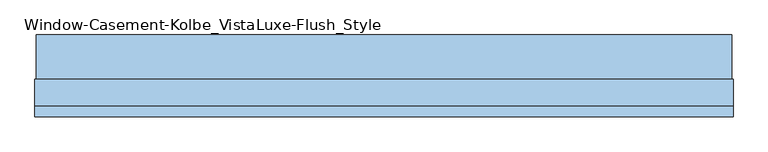
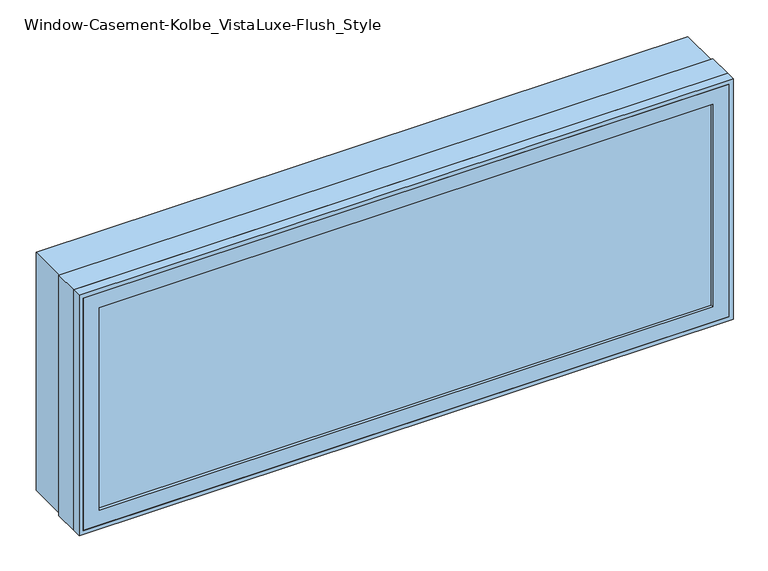
"""IFC4 building model written with IfcOpenShell, lengths in millimetres: window geometry, Window-Casement-Kolbe_VistaLuxe-Flush_Style."""

import ifcopenshell
import ifcopenshell.guid

model = None  # the IFC model being written
_history = None  # IfcOwnerHistory: only IFC2X3 demands one
_inside = {}  # id of a spatial element -> (the spatial element, [elements in it])
_under = {}  # id of a project, library or spatial element -> (it, [spatial elements below it])
_declared = {}  # id of a project -> (the project, [libraries it declares])
_typed = {}  # id of a type object -> (the type object, [elements of that type])
_made_of = {}  # id of a material, layer set ... -> (it, [elements and type objects made of it])


def new_model(schema):
    """Start an empty IFC model of exactly this schema.

    Asked for "IFC4X3", IfcOpenShell would pick the latest addendum, in which some entities
    have other attributes; the version numbers below select the first issue.
    IFC2X3 requires an IfcOwnerHistory on every rooted entity: one is made here for all.
    """
    global model, _history
    if schema == "IFC4X3":
        model = ifcopenshell.file(schema_version=(4, 3, 0, 0))
    else:
        model = ifcopenshell.file(schema=schema)
    _inside.clear()
    _under.clear()
    _declared.clear()
    _typed.clear()
    _made_of.clear()
    _history = None
    if model.schema == "IFC2X3":
        org = make("IfcOrganization", Name="unknown")
        user = make(
            "IfcPersonAndOrganization",
            ThePerson=make("IfcPerson", FamilyName="unknown"),
            TheOrganization=org,
        )
        app = make(
            "IfcApplication",
            ApplicationDeveloper=org,
            Version="unknown",
            ApplicationFullName="unknown",
            ApplicationIdentifier="unknown",
        )
        _history = make(
            "IfcOwnerHistory",
            OwningUser=user,
            OwningApplication=app,
            ChangeAction="ADDED",
            CreationDate=0,
        )
    return model


def make(cls, **values):
    """One entity of the class cls with the attributes given. An attribute that is None is left unset."""
    return model.create_entity(
        cls, **{name: value for name, value in values.items() if value is not None}
    )


def rooted(cls, **values):
    """An entity with a GlobalId (a new one), such as an element, a storey or a relation."""
    return make(cls, GlobalId=ifcopenshell.guid.new(), OwnerHistory=_history, **values)


def si_unit(unit_type, name, prefix=None):
    """IfcSIUnit, for example si_unit("LENGTHUNIT", "METRE", prefix="MILLI")."""
    return make("IfcSIUnit", UnitType=unit_type, Prefix=prefix, Name=name)


def assignment(units):
    """IfcUnitAssignment: the units of a project."""
    return None if units is None else make("IfcUnitAssignment", Units=units)


def point(xyz):
    """IfcCartesianPoint."""
    return None if xyz is None else make("IfcCartesianPoint", Coordinates=xyz)


def direction(xyz):
    """IfcDirection."""
    return None if xyz is None else make("IfcDirection", DirectionRatios=xyz)


def frame(location, z_axis=None, x_axis=None):
    """IfcAxis2Placement3D, a coordinate frame: its origin and axes. An axis left out is left unset."""
    return make(
        "IfcAxis2Placement3D",
        Location=point(location),
        Axis=direction(z_axis),
        RefDirection=direction(x_axis),
    )


def origin():
    """The frame at (0, 0, 0) with its axes left unset."""
    return frame((0.0, 0.0, 0.0))


def place(relative_to, where):
    """IfcLocalPlacement: puts the frame where relative to a parent placement (None: the world)."""
    return make(
        "IfcLocalPlacement", PlacementRelTo=relative_to, RelativePlacement=where
    )


def context(
    kind, dimensions, precision=None, world=None, true_north=None, identifier=None
):
    """IfcGeometricRepresentationContext, for example the 3D "Model" context."""
    return make(
        "IfcGeometricRepresentationContext",
        ContextIdentifier=identifier,
        ContextType=kind,
        CoordinateSpaceDimension=dimensions,
        Precision=precision,
        WorldCoordinateSystem=world,
        TrueNorth=true_north,
    )


def project(units=None, contexts=None):
    """IfcProject with its units and contexts."""
    return rooted(
        "IfcProject",
        Name="project",
        RepresentationContexts=contexts,
        UnitsInContext=assignment(units),
    )


def spatial(cls, under=None, at=None, **own):
    """A site, building, storey or space (cls), placed at a placement, below another one or the project."""
    s = rooted(cls, ObjectPlacement=at, **own)
    if under is not None:
        _under.setdefault(under.id(), (under, []))[1].append(s)
    return s


def polyline(points):
    """IfcPolyline through the points."""
    return make("IfcPolyline", Points=[point(p) for p in points])


def outline(outer, holes=None, kind="AREA"):
    """IfcArbitraryClosedProfileDef: a profile drawn as a closed curve; with holes, ...WithVoids."""
    if holes is None:
        return make("IfcArbitraryClosedProfileDef", ProfileType=kind, OuterCurve=outer)
    return make(
        "IfcArbitraryProfileDefWithVoids",
        ProfileType=kind,
        OuterCurve=outer,
        InnerCurves=holes,
    )


def extrude(swept, where, along, depth):
    """IfcExtrudedAreaSolid: the profile swept, set in the frame where, extruded along a direction by depth."""
    return make(
        "IfcExtrudedAreaSolid",
        SweptArea=swept,
        Position=where,
        ExtrudedDirection=direction(along),
        Depth=depth,
    )


def faces_of(points, faces, orient=None, outer=None):
    """IfcFace entities. A face is a list of loops; a loop is a list of indices into points, from 0.

    orient and outer hold one flag for each loop. By default every Orientation is true, the
    first loop of a face is its IfcFaceOuterBound and the others are IfcFaceBound.
    """
    made = []
    for i, loops in enumerate(faces):
        bounds = []
        for j, loop in enumerate(loops):
            is_outer = j == 0 if outer is None else outer[i][j]
            bounds.append(
                make(
                    "IfcFaceOuterBound" if is_outer else "IfcFaceBound",
                    Bound=make("IfcPolyLoop", Polygon=[points[k] for k in loop]),
                    Orientation=True if orient is None else orient[i][j],
                )
            )
        made.append(make("IfcFace", Bounds=bounds))
    return made


def faceted_brep(points, faces, orient=None, outer=None, voids=None):
    """IfcFacetedBrep: a solid bounded by flat faces; with voids (closed shells), ...WithVoids."""
    shared = [point(p) for p in points]
    hull = make("IfcClosedShell", CfsFaces=faces_of(shared, faces, orient, outer))
    if voids is None:
        return make("IfcFacetedBrep", Outer=hull)
    return make(
        "IfcFacetedBrepWithVoids",
        Outer=hull,
        Voids=[
            make(cls, CfsFaces=faces_of(shared, fs, o, b)) for cls, fs, o, b in voids
        ],
    )


def shape(context_of_items, identifier, shape_type, items):
    """IfcShapeRepresentation: the items that make up one representation, for example the "Body"."""
    return make(
        "IfcShapeRepresentation",
        ContextOfItems=context_of_items,
        RepresentationIdentifier=identifier,
        RepresentationType=shape_type,
        Items=items,
    )


def source(mapping_origin, context_of_items, identifier, shape_type, items):
    """IfcRepresentationMap: a shape defined once, which mapped items show again and again."""
    return make(
        "IfcRepresentationMap",
        MappingOrigin=mapping_origin,
        MappedRepresentation=shape(context_of_items, identifier, shape_type, items),
    )


def transform(
    local_origin,
    x_axis=None,
    y_axis=None,
    z_axis=None,
    scale=None,
    scale2=None,
    scale3=None,
    uniform=True,
):
    """IfcCartesianTransformationOperator3D, or its non-uniform kind. x_axis, y_axis, z_axis: its Axis1, 2, 3."""
    if uniform:
        return make(
            "IfcCartesianTransformationOperator3D",
            Axis1=direction(x_axis),
            Axis2=direction(y_axis),
            LocalOrigin=point(local_origin),
            Scale=scale,
            Axis3=direction(z_axis),
        )
    return make(
        "IfcCartesianTransformationOperator3DnonUniform",
        Axis1=direction(x_axis),
        Axis2=direction(y_axis),
        LocalOrigin=point(local_origin),
        Scale=scale,
        Axis3=direction(z_axis),
        Scale2=scale2,
        Scale3=scale3,
    )


def mapped(mapping_source, mapping_target):
    """IfcMappedItem: shows the shape of a source again, moved by a transform."""
    return make(
        "IfcMappedItem", MappingSource=mapping_source, MappingTarget=mapping_target
    )


def made_of(thing, what):
    """Note that an element or type object is made of a material, layer set ...; save() writes the relation."""
    if what is not None:
        _made_of.setdefault(what.id(), (what, []))[1].append(thing)
    return thing


def element(
    cls,
    number,
    at=None,
    inside=None,
    cuts=None,
    type_object=None,
    material=None,
    context=None,
    identifier="Body",
    shape_type=None,
    held_by="IfcProductDefinitionShape",
    body=None,
    shapes=None,
    **own,
):
    """One element of the class cls, such as IfcWall. Its Tag is "e" and its number.

    at: its placement. inside: the storey or other place that contains it. cuts: it is an
    opening in that element (IfcRelVoidsElement). A single representation is given by context,
    identifier, shape_type and body (its items); several are given by shapes. held_by: the class
    of the entity that holds the representations. save() writes the other relations.
    """
    e = rooted(cls, Tag="e%d" % number, ObjectPlacement=at, **own)
    if body is not None:
        shapes = [shape(context, identifier, shape_type, body)]
    if shapes is not None:
        e.Representation = make(held_by, Representations=shapes)
    if inside is not None:
        _inside.setdefault(inside.id(), (inside, []))[1].append(e)
    if cuts is not None:
        rooted(
            "IfcRelVoidsElement", RelatingBuildingElement=cuts, RelatedOpeningElement=e
        )
    if type_object is not None:
        _typed.setdefault(type_object.id(), (type_object, []))[1].append(e)
    return made_of(e, material)


def aggregate(whole, parts):
    """IfcRelAggregates: a whole, such as a stair, and the parts it consists of."""
    return rooted("IfcRelAggregates", RelatingObject=whole, RelatedObjects=parts)


def save(model, path):
    """Write the relations noted so far, then the file.

    IfcRelAggregates (storeys below a building ...), IfcRelContainedInSpatialStructure (elements
    in a storey), IfcRelDefinesByType, IfcRelAssociatesMaterial and IfcRelDeclares: one each for
    every whole, place, type object, material and project.
    """
    for whole, parts in _under.values():
        aggregate(whole, parts)
    for where, things in _inside.values():
        rooted(
            "IfcRelContainedInSpatialStructure",
            RelatedElements=things,
            RelatingStructure=where,
        )
    for kind, things in _typed.values():
        rooted("IfcRelDefinesByType", RelatedObjects=things, RelatingType=kind)
    for what, things in _made_of.values():
        rooted("IfcRelAssociatesMaterial", RelatedObjects=things, RelatingMaterial=what)
    for by, libraries in _declared.values():
        rooted("IfcRelDeclares", RelatingContext=by, RelatedDefinitions=libraries)
    model.write(path)


def window_casement_kolbe_vistaluxe_flush_style_48eb264a(model_context):
    return source(origin(), model_context, "Body", "SolidModel", [
        faceted_brep([(-863.6696599, -111.85398, 970.676875), (-863.6696599, -119.79148, 970.676875), (852.5765901, -119.79148, 970.676875), (852.5765901, -111.85398, 970.676875), (-879.5446599, -89.60358, 954.801875), (-879.5446599, -111.85398, 954.801875), (868.4515901, -111.85398, 954.801875), (868.4515901, -89.60358, 954.801875), (-863.6696599, -70.57898, 970.676875), (-863.6696599, -89.60358, 970.676875), (852.5765901, -89.60358, 970.676875), (852.5765901, -70.57898, 970.676875), (-908.1196599, -119.79148, 926.226875), (-908.1196599, -70.57898, 926.226875), (897.0265901, -70.57898, 926.226875), (897.0265901, -119.79148, 926.226875), (852.5765901, -119.79148, 1569.323125), (852.5765901, -111.85398, 1569.323125), (868.4515901, -111.85398, 1585.198125), (868.4515901, -89.60358, 1585.198125), (852.5765901, -89.60358, 1569.323125), (852.5765901, -70.57898, 1569.323125), (897.0265901, -70.57898, 1613.773125), (897.0265901, -119.79148, 1613.773125), (-863.6696599, -119.79148, 1569.323125), (-863.6696599, -111.85398, 1569.323125), (-879.5446599, -111.85398, 1585.198125), (-879.5446599, -89.60358, 1585.198125), (-863.6696599, -89.60358, 1569.323125), (-863.6696599, -70.57898, 1569.323125), (-908.1196599, -70.57898, 1613.773125), (-908.1196599, -119.79148, 1613.773125)], [[[0, 1, 2, 3]], [[4, 5, 6, 7]], [[8, 9, 10, 11]], [[12, 13, 14, 15]], [[3, 2, 16, 17]], [[7, 6, 18, 19]], [[11, 10, 20, 21]], [[15, 14, 22, 23]], [[17, 16, 24, 25]], [[19, 18, 26, 27]], [[21, 20, 28, 29]], [[23, 22, 30, 31]], [[25, 24, 1, 0]], [[5, 26, 18, 6], [3, 17, 25, 0]], [[27, 26, 5, 4]], [[7, 19, 27, 4], [9, 28, 20, 10]], [[29, 28, 9, 8]], [[13, 30, 22, 14], [11, 21, 29, 8]], [[31, 30, 13, 12]], [[15, 23, 31, 12], [1, 24, 16, 2]]]),
        extrude(outline(polyline([(1622.0186, 905.2720651), (1622.0186, -916.3651349), (917.9814, -916.3651349), (917.9814, 905.2720651), (1622.0186, 905.2720651)]), holes=[polyline([(936.545625, 886.7078401), (936.545625, -897.8009099), (1603.454375, -897.8009099), (1603.454375, 886.7078401), (936.545625, 886.7078401)])]), frame((0.0, -22.9997, 0.0), z_axis=(0.0, 1.0, 0.0), x_axis=(0.0, 0.0, 1.0)), (0.0, 0.0, 1.0), 116.6622),
        extrude(outline(polyline([(1625.6, -919.9465349), (914.4, -919.9465349), (914.4, 908.8534651), (1625.6, 908.8534651), (1625.6, -919.9465349)]), holes=[polyline([(1613.773125, 897.0265901), (926.226875, 897.0265901), (926.226875, -908.1196599), (1613.773125, -908.1196599), (1613.773125, 897.0265901)])]), frame((0.0, -120.5865, 0.0), z_axis=(0.0, 1.0, 0.0), x_axis=(0.0, 0.0, 1.0)), (0.0, 0.0, 1.0), 26.924),
        faceted_brep([(908.8534651, -22.9997, 914.4), (908.8534651, -93.6625, 914.4), (-919.9465349, -93.6625, 914.4), (-919.9465349, -22.9997, 914.4), (886.7078401, -70.58025, 936.545625), (886.7078401, -22.9997, 936.545625), (-897.8009099, -22.9997, 936.545625), (-897.8009099, -70.58025, 936.545625), (897.0265901, -93.6625, 926.226875), (897.0265901, -70.58025, 926.226875), (-908.1196599, -70.58025, 926.226875), (-908.1196599, -93.6625, 926.226875), (-919.9465349, -93.6625, 1625.6), (-919.9465349, -22.9997, 1625.6), (-897.8009099, -22.9997, 1603.454375), (-897.8009099, -70.58025, 1603.454375), (-908.1196599, -70.58025, 1613.773125), (-908.1196599, -93.6625, 1613.773125), (908.8534651, -93.6625, 1625.6), (908.8534651, -22.9997, 1625.6), (886.7078401, -22.9997, 1603.454375), (886.7078401, -70.58025, 1603.454375), (897.0265901, -70.58025, 1613.773125), (897.0265901, -93.6625, 1613.773125)], [[[0, 1, 2, 3]], [[4, 5, 6, 7]], [[8, 9, 10, 11]], [[3, 2, 12, 13]], [[7, 6, 14, 15]], [[11, 10, 16, 17]], [[13, 12, 18, 19]], [[15, 14, 20, 21]], [[17, 16, 22, 23]], [[19, 18, 1, 0]], [[3, 13, 19, 0], [5, 20, 14, 6]], [[21, 20, 5, 4]], [[9, 22, 16, 10], [7, 15, 21, 4]], [[23, 22, 9, 8]], [[1, 18, 12, 2], [11, 17, 23, 8]]]),
        extrude(outline(polyline([(865.2765901, -92.77858), (-876.3696599, -92.77858), (-876.3696599, -89.60358), (865.2765901, -89.60358), (865.2765901, -92.77858)])), frame((0.0, 0.0, 957.976875), z_axis=(0.0, 0.0, 1.0), x_axis=(1.0, 0.0, 0.0)), (0.0, 0.0, 1.0), 624.04625),
        extrude(outline(polyline([(865.2765901, -108.67898), (865.2765901, -111.85398), (-876.3696599, -111.85398), (-876.3696599, -108.67898), (865.2765901, -108.67898)])), frame((0.0, 0.0, 957.976875), z_axis=(0.0, 0.0, 1.0), x_axis=(1.0, 0.0, 0.0)), (0.0, 0.0, 1.0), 624.04625),
        extrude(outline(polyline([(936.545625, 886.7078401), (1603.454375, 886.7078401), (1603.454375, -897.8009099), (936.545625, -897.8009099), (936.545625, 886.7078401)]), holes=[polyline([(954.801875, -879.5446599), (1585.198125, -879.5446599), (1585.198125, 868.4515901), (954.801875, 868.4515901), (954.801875, -879.5446599)])]), frame((0.0, -70.58025, 0.0), z_axis=(0.0, 1.0, 0.0), x_axis=(0.0, 0.0, 1.0)), (0.0, 0.0, 1.0), 50.8),
    ])


if __name__ == "__main__":
    model = new_model("IFC4")
    model_context = context("Model", 3, world=origin())
    ifc_project = project(units=[si_unit("LENGTHUNIT", "METRE", prefix="MILLI")], contexts=[model_context])
    site = spatial("IfcSite", under=ifc_project)
    building = spatial("IfcBuilding", under=site)
    placement = place(None, origin())
    window_casement_kolbe_vistaluxe_flush_style_shape = window_casement_kolbe_vistaluxe_flush_style_48eb264a(model_context)
    element("IfcWindow", 1, ObjectType="Window-Casement-Kolbe_VistaLuxe-Flush_Style", at=placement, inside=building, context=model_context, shape_type="MappedRepresentation", body=[
        mapped(window_casement_kolbe_vistaluxe_flush_style_shape, transform((0.0, 0.0, 0.0), x_axis=(1.0, 0.0, 0.0), y_axis=(0.0, 1.0, 0.0), z_axis=(0.0, 0.0, 1.0))),
    ])
    save(model, "model.ifc")
